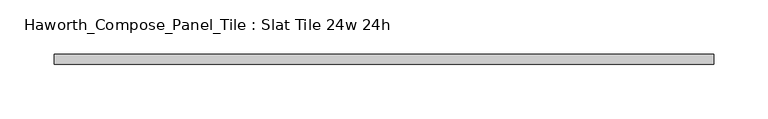
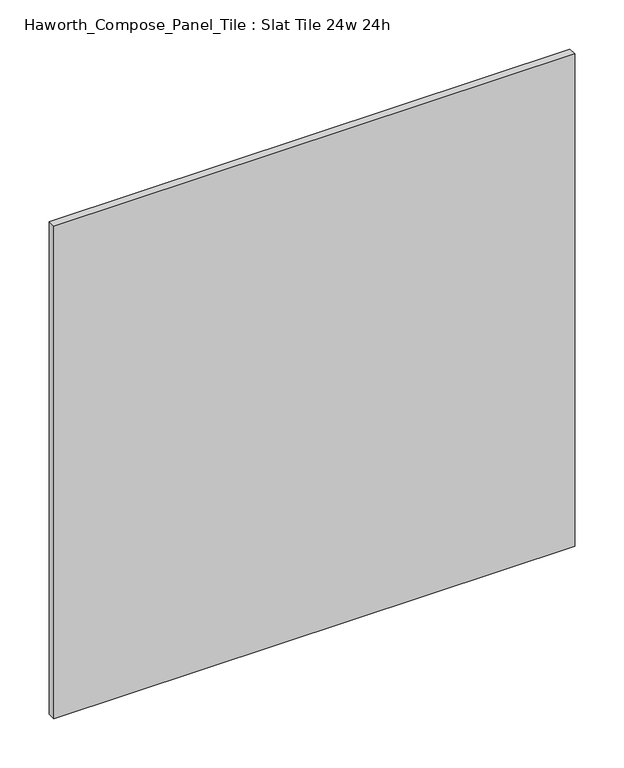
"""IFC4 building model written with IfcOpenShell, lengths in millimetres: furniture geometry, Haworth_Compose_Panel_Tile : Slat Tile 24w 24h."""

from ifc_helpers import new_model, si_unit, frame, origin, place, context, project, spatial, polyline, outline, extrude, source, transform, mapped, element, save


def haworth_compose_panel_tile_slat_tile_24w_24h_9581b5c2(model_context):
    return source(origin(), model_context, "Body", "SweptSolid", [
        extrude(outline(polyline([(307.2402902, -25.7218594), (-302.3597098, -25.7218594), (-302.3597098, -16.1968594), (307.2402902, -16.1968594), (307.2402902, -25.7218594)])), frame((0.0, 0.0, 1066.8), z_axis=(0.0, 0.0, 1.0), x_axis=(1.0, 0.0, 0.0)), (0.0, 0.0, 1.0), 609.6),
    ])


if __name__ == "__main__":
    model = new_model("IFC4")
    model_context = context("Model", 3, world=origin())
    ifc_project = project(units=[si_unit("LENGTHUNIT", "METRE", prefix="MILLI")], contexts=[model_context])
    site = spatial("IfcSite", under=ifc_project)
    building = spatial("IfcBuilding", under=site)
    placement = place(None, origin())
    haworth_compose_panel_tile_slat_tile_24w_24h_shape = haworth_compose_panel_tile_slat_tile_24w_24h_9581b5c2(model_context)
    element("IfcFurniture", 1, ObjectType="Haworth_Compose_Panel_Tile : Slat Tile 24w 24h", at=placement, inside=building, context=model_context, shape_type="MappedRepresentation", body=[
        mapped(haworth_compose_panel_tile_slat_tile_24w_24h_shape, transform((0.0, 0.0, 0.0), x_axis=(1.0, 0.0, 0.0), y_axis=(0.0, 1.0, 0.0), z_axis=(0.0, 0.0, 1.0))),
    ])
    save(model, "model.ifc")
